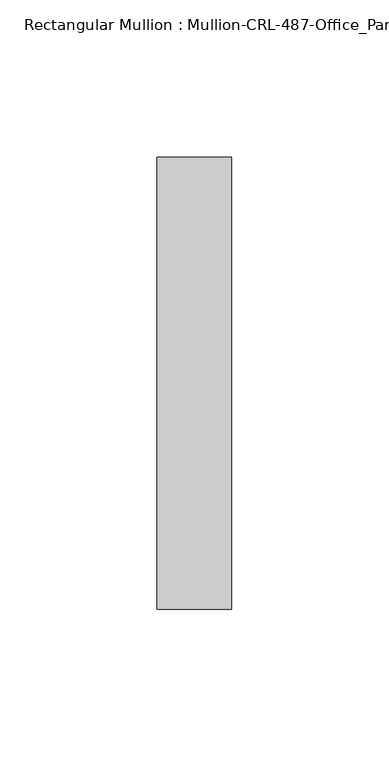
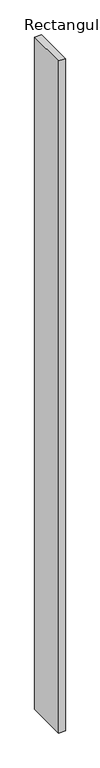
"""IFC4 building model written with IfcOpenShell, lengths in millimetres: member geometry, Rectangular Mullion : Mullion-CRL-487-Office_Partition-Cased."""

from ifc_helpers import new_model, si_unit, frame, origin, place, context, project, spatial, polyline, outline, extrude, source, transform, mapped, element, save


def rectangular_mullion_mullion_crl_487_office_partition_cased_72e475a2(model_context):
    return source(origin(), model_context, "Body", "SweptSolid", [
        extrude(outline(polyline([(-23.7998, -71.9452143), (-23.7998, 71.9452142), (0.0, 71.9452142), (0.0, -71.9452143), (-23.7998, -71.9452143)])), frame((0.0, 0.0, -2476.5), z_axis=(0.0, 0.0, 1.0), x_axis=(1.0, 0.0, 0.0)), (0.0, 0.0, 1.0), 2476.5),
    ])


if __name__ == "__main__":
    model = new_model("IFC4")
    model_context = context("Model", 3, world=origin())
    ifc_project = project(units=[si_unit("LENGTHUNIT", "METRE", prefix="MILLI")], contexts=[model_context])
    site = spatial("IfcSite", under=ifc_project)
    building = spatial("IfcBuilding", under=site)
    placement = place(None, origin())
    rectangular_mullion_mullion_crl_487_office_partition_cased_shape = rectangular_mullion_mullion_crl_487_office_partition_cased_72e475a2(model_context)
    element("IfcMember", 1, ObjectType="Rectangular Mullion : Mullion-CRL-487-Office_Partition-Cased", at=placement, inside=building, context=model_context, shape_type="MappedRepresentation", body=[
        mapped(rectangular_mullion_mullion_crl_487_office_partition_cased_shape, transform((0.0, 0.0, 0.0), x_axis=(1.0, 0.0, 0.0), y_axis=(0.0, 1.0, 0.0), z_axis=(0.0, 0.0, 1.0))),
    ])
    save(model, "model.ifc")
